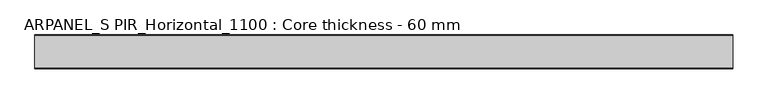
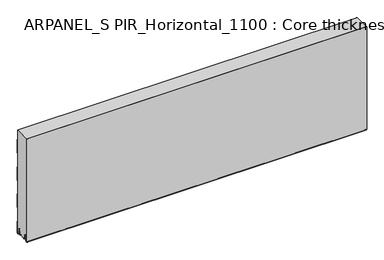
"""IFC4 building model written with IfcOpenShell, lengths in millimetres: plate geometry, ARPANEL_S PIR_Horizontal_1100 : Core thickness - 60 mm."""

from ifc_helpers import new_model, si_unit, frame, origin, place, context, project, spatial, polyline, circle_curve, source, transform, mapped, element, save
from ifc_brep_helpers import plane_surface, cylinder_surface, revolved_surface, advanced_brep


def arpanel_s_pir_horizontal_1100_core_thickness_60_mm_9a96662d(model_context):
    return source(origin(), model_context, "Body", "AdvancedBrep", [
        advanced_brep(
        [(620.0, -59.9996949, 3.0900682), (620.0, -53.81449, 2.7875612), (620.0, -52.197116, 19.2828169), (620.0, -49.1776715, 21.9898782), (620.0, -46.1582271, 19.2828169), (620.0, -44.7725998, 5.1510966), (620.0, -40.3830995, 5.365779), (620.0, -41.1830995, 5.365779), (620.0, -43.9764178, 5.2291629), (620.0, -45.3620451, 19.3608832), (620.0, -49.1776715, 22.7899182), (620.0, -52.9932979, 19.3608832), (620.0, -54.6106719, 2.8656275), (620.0, -59.1996949, 3.0900682), (620.0, -59.2, 400.0), (620.0, -59.9996949, 400.0), (-620.0, -59.1996949, 3.0900682), (-620.0, -54.6106719, 2.8656275), (-620.0, -52.9932979, 19.3608832), (-620.0, -49.1776715, 22.7899182), (-620.0, -45.3620451, 19.3608832), (-620.0, -43.9764178, 5.2291629), (-620.0, -41.1830995, 5.365779), (-620.0, -40.3830995, 5.365779), (-620.0, -44.7725998, 5.1510966), (-620.0, -46.1582271, 19.2828169), (-620.0, -49.1776715, 21.9898782), (-620.0, -52.197116, 19.2828169), (-620.0, -53.81449, 2.7875612), (-620.0, -59.9996949, 3.0900682), (-620.0, -59.9996949, 400.0), (-620.0, -59.2, 400.0)],
        [
            (0, 1, circle_curve(frame((620.0, -56.8996949, 3.0900682), z_axis=(1.0, 0.0, 0.0), x_axis=(0.0, 0.0, -1.0)), 3.1)),
            (1, 2),
            (2, 3, circle_curve(frame((620.0, -49.2114338, 18.9900682), z_axis=(-1.0, 0.0, 0.0), x_axis=(0.0, 0.0, -1.0)), 3.0)),
            (3, 4, circle_curve(frame((620.0, -49.1439093, 18.9900682), z_axis=(-1.0, 0.0, 0.0), x_axis=(0.0, 0.0, -1.0)), 3.0)),
            (4, 5),
            (5, 6, circle_curve(frame((620.0, -42.5830995, 5.365779), z_axis=(1.0, 0.0, 0.0), x_axis=(0.0, 0.0, -1.0)), 2.2)),
            (6, 7),
            (7, 8, circle_curve(frame((620.0, -42.5830995, 5.365779), z_axis=(-1.0, 0.0, 0.0), x_axis=(0.0, 0.0, -1.0)), 1.4)),
            (8, 9),
            (9, 10, circle_curve(frame((620.0, -49.1439093, 18.9900682), z_axis=(1.0, 0.0, 0.0), x_axis=(0.0, 0.0, -1.0)), 3.8)),
            (10, 11, circle_curve(frame((620.0, -49.2114338, 18.9900682), z_axis=(1.0, 0.0, 0.0), x_axis=(0.0, 0.0, -1.0)), 3.8)),
            (11, 12),
            (12, 13, circle_curve(frame((620.0, -56.8996949, 3.0900682), z_axis=(-1.0, 0.0, 0.0), x_axis=(0.0, 0.0, -1.0)), 2.3)),
            (13, 14),
            (14, 15),
            (15, 0),
            (16, 17, circle_curve(frame((-620.0, -56.8996949, 3.0900682), z_axis=(1.0, 0.0, 0.0), x_axis=(0.0, 0.0, -1.0)), 2.3)),
            (17, 18),
            (18, 19, circle_curve(frame((-620.0, -49.2114338, 18.9900682), z_axis=(-1.0, 0.0, 0.0), x_axis=(0.0, 0.0, -1.0)), 3.8)),
            (19, 20, circle_curve(frame((-620.0, -49.1439093, 18.9900682), z_axis=(-1.0, 0.0, 0.0), x_axis=(0.0, 0.0, -1.0)), 3.8)),
            (20, 21),
            (21, 22, circle_curve(frame((-620.0, -42.5830995, 5.365779), z_axis=(1.0, 0.0, 0.0), x_axis=(0.0, 0.0, -1.0)), 1.4)),
            (22, 23),
            (23, 24, circle_curve(frame((-620.0, -42.5830995, 5.365779), z_axis=(-1.0, 0.0, 0.0), x_axis=(0.0, 0.0, -1.0)), 2.2)),
            (24, 25),
            (25, 26, circle_curve(frame((-620.0, -49.1439093, 18.9900682), z_axis=(1.0, 0.0, 0.0), x_axis=(0.0, 0.0, -1.0)), 3.0)),
            (26, 27, circle_curve(frame((-620.0, -49.2114338, 18.9900682), z_axis=(1.0, 0.0, 0.0), x_axis=(0.0, 0.0, -1.0)), 3.0)),
            (27, 28),
            (28, 29, circle_curve(frame((-620.0, -56.8996949, 3.0900682), z_axis=(-1.0, 0.0, 0.0), x_axis=(0.0, 0.0, -1.0)), 3.1)),
            (29, 30),
            (30, 31),
            (31, 16),
            (13, 16),
            (31, 14),
            (29, 0),
            (15, 30),
            (12, 17),
            (11, 18),
            (10, 19),
            (9, 20),
            (8, 21),
            (7, 22),
            (6, 23),
            (5, 24),
            (4, 25),
            (3, 26),
            (2, 27),
            (1, 28),
        ],
        [
            plane_surface(frame((620.0, -60.0, 0.0), z_axis=(1.0, 0.0, 0.0), x_axis=(0.0, 1.0, 0.0))),
            plane_surface(frame((-620.0, -60.0, 0.0), z_axis=(-1.0, 0.0, 0.0), x_axis=(0.0, 1.0, 0.0))),
            plane_surface(frame((620.0, -59.2, 3.0900682), z_axis=(0.0, 1.0, 0.0), x_axis=(-1.0, 0.0, 0.0))),
            plane_surface(frame((620.0, -59.9996949, 1093.9000005), z_axis=(0.0, -1.0, 0.0), x_axis=(-1.0, 0.0, 0.0))),
            revolved_surface(polyline([(-620.0, -56.8996949, 0.7900682000000003), (620.0, -56.8996949, 0.7900682000000003)]), (620.0, -56.8996949, 3.0900682), (-1.0, 0.0, 0.0)),
            plane_surface(frame((620.0, -52.9932979, 19.3608832), z_axis=(0.0, -0.9952273999818314, 0.09758289975914787), x_axis=(-1.0, 0.0, 0.0))),
            cylinder_surface(frame((620.0, -49.2114338, 18.9900682), z_axis=(1.0, 0.0, 0.0), x_axis=(0.0, 0.0, -1.0)), 3.8),
            cylinder_surface(frame((620.0, -49.1439093, 18.9900682), z_axis=(1.0, 0.0, 0.0), x_axis=(0.0, 0.0, -1.0)), 3.8),
            plane_surface(frame((620.0, -43.9764178, 5.2291629), z_axis=(0.0, 0.9952273999818297, 0.09758289975916531), x_axis=(-1.0, 0.0, 0.0))),
            revolved_surface(polyline([(-620.0, -42.5830995, 3.965779), (620.0, -42.5830995, 3.965779)]), (620.0, -42.5830995, 5.365779), (-1.0, 0.0, 0.0)),
            plane_surface(frame((620.0, -40.3830995, 5.365779), z_axis=(0.0, 0.0, 1.0), x_axis=(-1.0, 0.0, 0.0))),
            cylinder_surface(frame((620.0, -42.5830995, 5.365779), z_axis=(1.0, 0.0, 0.0), x_axis=(0.0, 0.0, -1.0)), 2.2),
            plane_surface(frame((620.0, -46.1582271, 19.2828169), z_axis=(0.0, -0.9952273999818296, -0.09758289975916527), x_axis=(-1.0, 0.0, 0.0))),
            revolved_surface(polyline([(-620.0, -49.1439093, 15.9900682), (620.0, -49.1439093, 15.9900682)]), (620.0, -49.1439093, 18.9900682), (-1.0, 0.0, 0.0)),
            revolved_surface(polyline([(-620.0, -49.2114338, 15.9900682), (620.0, -49.2114338, 15.9900682)]), (620.0, -49.2114338, 18.9900682), (-1.0, 0.0, 0.0)),
            plane_surface(frame((620.0, -53.81449, 2.7875612), z_axis=(0.0, 0.9952273999818314, -0.09758289975914787), x_axis=(-1.0, 0.0, 0.0))),
            cylinder_surface(frame((620.0, -56.8996949, 3.0900682), z_axis=(1.0, 0.0, 0.0), x_axis=(0.0, 0.0, -1.0)), 3.1),
            plane_surface(frame((-620.0, 134.0533409, 400.0), z_axis=(0.0, 0.0, 1.0), x_axis=(1.0, 0.0, 0.0))),
        ],
        [
            (0, [[1, 2, 3, 4, 5, 6, 7, 8, 9, 10, 11, 12, 13, 14, 15, 16]]),
            (1, [[17, 18, 19, 20, 21, 22, 23, 24, 25, 26, 27, 28, 29, 30, 31, 32]]),
            (2, [[33, -32, 34, -14]]),
            (3, [[35, -16, 36, -30]]),
            (4, [[-13, 37, -17, -33]]),
            (5, [[-12, 38, -18, -37]]),
            (6, [[-11, 39, -19, -38]]),
            (7, [[-10, 40, -20, -39]]),
            (8, [[-9, 41, -21, -40]]),
            (9, [[-8, 42, -22, -41]]),
            (10, [[-7, 43, -23, -42]]),
            (11, [[-6, 44, -24, -43]]),
            (12, [[-5, 45, -25, -44]]),
            (13, [[-4, 46, -26, -45]]),
            (14, [[-3, 47, -27, -46]]),
            (15, [[-2, 48, -28, -47]]),
            (16, [[-1, -35, -29, -48]]),
            (17, [[-15, -34, -31, -36]]),
        ],
    ),
        advanced_brep(
        [(620.0, -0.8, 149.9459237), (620.0, -1.0986697, 150.9973395), (620.0, -1.5003051, 152.4177205), (620.0, -1.5003051, 202.5775037), (620.0, -1.0971009, 203.9969151), (620.0, -0.8, 205.0493005), (620.0, -0.8, 255.2090837), (620.0, -1.0986697, 256.2604995), (620.0, -1.5003051, 257.6808805), (620.0, -1.5003051, 307.8406637), (620.0, -1.0971009, 309.2600751), (620.0, -0.8, 310.3124605), (620.0, -0.8, 360.4722437), (620.0, -1.0986697, 361.5236595), (620.0, -1.5003051, 362.9440405), (620.0, -1.5003051, 400.0), (620.0, -59.2, 400.0), (620.0, -59.2, 3.0900682), (620.0, -54.6106719, 2.8656275), (620.0, -52.9932979, 19.3608832), (620.0, -49.1776715, 22.7899182), (620.0, -45.3620451, 19.3608832), (620.0, -43.9764178, 5.2291629), (620.0, -41.1830995, 5.365779), (620.0, -40.3830995, 5.365779), (620.0, -40.6102539, 4.3921875), (620.0, -19.3897461, 4.3921875), (620.0, -19.6169005, 5.365779), (620.0, -18.8169005, 5.365779), (620.0, -16.0235822, 5.2291629), (620.0, -14.6379549, 19.3608832), (620.0, -10.8223285, 22.7899182), (620.0, -7.0067021, 19.3608832), (620.0, -5.3893281, 2.8656275), (620.0, -0.8003051, 3.0900682), (620.0, -0.8, 44.6827637), (620.0, -1.0986697, 45.7341795), (620.0, -1.5003051, 47.1545605), (620.0, -1.5003051, 97.3143437), (620.0, -1.0971009, 98.7337551), (620.0, -0.8, 99.7861405), (-620.0, -1.0986697, 150.9973395), (-620.0, -0.8, 149.9459237), (-620.0, -0.8, 99.7861405), (-620.0, -1.0986697, 98.7347246), (-620.0, -1.5003051, 97.3143437), (-620.0, -1.5003051, 47.1545605), (-620.0, -1.0971009, 45.7351491), (-620.0, -0.8, 44.6827637), (-620.0, -0.8, 3.0900682), (-620.0, -5.3893281, 2.8656275), (-620.0, -7.0067021, 19.3608832), (-620.0, -10.8223285, 22.7899182), (-620.0, -14.6379549, 19.3608832), (-620.0, -16.0235822, 5.2291629), (-620.0, -18.4553868, 4.4268721), (-620.0, -18.8169005, 5.365779), (-620.0, -19.6169005, 5.365779), (-620.0, -19.3897461, 4.3921875), (-620.0, -40.6102539, 4.3921875), (-620.0, -40.3830995, 5.365779), (-620.0, -41.1830995, 5.365779), (-620.0, -41.5446132, 4.4268721), (-620.0, -43.9764178, 5.2291629), (-620.0, -45.3620451, 19.3608832), (-620.0, -49.1776715, 22.7899182), (-620.0, -52.9932979, 19.3608832), (-620.0, -54.6106719, 2.8656275), (-620.0, -59.1996949, 3.0900682), (-620.0, -59.2, 400.0), (-620.0, -1.5003051, 400.0), (-620.0, -1.5003051, 362.9440405), (-620.0, -1.0971009, 361.5246291), (-620.0, -0.8, 360.4722437), (-620.0, -0.8, 310.3124605), (-620.0, -1.0986697, 309.2610446), (-620.0, -1.5003051, 307.8406637), (-620.0, -1.5003051, 257.6808805), (-620.0, -1.0971009, 256.2614691), (-620.0, -0.8, 255.2090837), (-620.0, -0.8, 205.0493005), (-620.0, -1.0986697, 203.9978846), (-620.0, -1.5003051, 202.5775037), (-620.0, -1.5003051, 152.4177205)],
        [
            (0, 1, circle_curve(frame((620.0, -2.8, 149.9459237), z_axis=(1.0, 0.0, 0.0), x_axis=(0.0, 0.0, -1.0)), 2.0)),
            (1, 2, circle_curve(frame((620.0, 1.1996949, 152.4177205), z_axis=(-1.0, 0.0, 0.0), x_axis=(0.0, 0.0, -1.0)), 2.7)),
            (2, 3),
            (3, 4, circle_curve(frame((620.0, 1.1996949, 202.5775037), z_axis=(-1.0, 0.0, 0.0), x_axis=(0.0, 0.0, -1.0)), 2.7)),
            (4, 5, circle_curve(frame((620.0, -2.8, 205.0493005), z_axis=(1.0, 0.0, 0.0), x_axis=(0.0, 0.0, -1.0)), 2.0)),
            (5, 6),
            (6, 7, circle_curve(frame((620.0, -2.8, 255.2090837), z_axis=(1.0, 0.0, 0.0), x_axis=(0.0, 0.0, -1.0)), 2.0)),
            (7, 8, circle_curve(frame((620.0, 1.1996949, 257.6808805), z_axis=(-1.0, 0.0, 0.0), x_axis=(0.0, 0.0, -1.0)), 2.7)),
            (8, 9),
            (9, 10, circle_curve(frame((620.0, 1.1996949, 307.8406637), z_axis=(-1.0, 0.0, 0.0), x_axis=(0.0, 0.0, -1.0)), 2.7)),
            (10, 11, circle_curve(frame((620.0, -2.8, 310.3124605), z_axis=(1.0, 0.0, 0.0), x_axis=(0.0, 0.0, -1.0)), 2.0)),
            (11, 12),
            (12, 13, circle_curve(frame((620.0, -2.8, 360.4722437), z_axis=(1.0, 0.0, 0.0), x_axis=(0.0, 0.0, -1.0)), 2.0)),
            (13, 14, circle_curve(frame((620.0, 1.1996949, 362.9440405), z_axis=(-1.0, 0.0, 0.0), x_axis=(0.0, 0.0, -1.0)), 2.7)),
            (14, 15),
            (15, 16),
            (16, 17),
            (17, 18, circle_curve(frame((620.0, -56.8996949, 3.0900682), z_axis=(1.0, 0.0, 0.0), x_axis=(0.0, 0.0, -1.0)), 2.3)),
            (18, 19),
            (19, 20, circle_curve(frame((620.0, -49.2114338, 18.9900682), z_axis=(-1.0, 0.0, 0.0), x_axis=(0.0, 0.0, -1.0)), 3.8)),
            (20, 21, circle_curve(frame((620.0, -49.1439093, 18.9900682), z_axis=(-1.0, 0.0, 0.0), x_axis=(0.0, 0.0, -1.0)), 3.8)),
            (21, 22),
            (22, 23, circle_curve(frame((620.0, -42.5830995, 5.365779), z_axis=(1.0, 0.0, 0.0), x_axis=(0.0, 0.0, -1.0)), 1.4)),
            (23, 24),
            (24, 25, circle_curve(frame((620.0, -42.5830995, 5.365779), z_axis=(-1.0, 0.0, 0.0), x_axis=(0.0, 0.0, -1.0)), 2.2)),
            (25, 26),
            (26, 27, circle_curve(frame((620.0, -17.4169005, 5.365779), z_axis=(-1.0, 0.0, 0.0), x_axis=(0.0, 0.0, -1.0)), 2.2)),
            (27, 28),
            (28, 29, circle_curve(frame((620.0, -17.4169005, 5.365779), z_axis=(1.0, 0.0, 0.0), x_axis=(0.0, 0.0, -1.0)), 1.4)),
            (29, 30),
            (30, 31, circle_curve(frame((620.0, -10.8560907, 18.9900682), z_axis=(-1.0, 0.0, 0.0), x_axis=(0.0, 0.0, -1.0)), 3.8)),
            (31, 32, circle_curve(frame((620.0, -10.7885662, 18.9900682), z_axis=(-1.0, 0.0, 0.0), x_axis=(0.0, 0.0, -1.0)), 3.8)),
            (32, 33),
            (33, 34, circle_curve(frame((620.0, -3.1003051, 3.0900682), z_axis=(1.0, 0.0, 0.0), x_axis=(0.0, 0.0, -1.0)), 2.3)),
            (34, 35),
            (35, 36, circle_curve(frame((620.0, -2.8, 44.6827637), z_axis=(1.0, 0.0, 0.0), x_axis=(0.0, 0.0, -1.0)), 2.0)),
            (36, 37, circle_curve(frame((620.0, 1.1996949, 47.1545605), z_axis=(-1.0, 0.0, 0.0), x_axis=(0.0, 0.0, -1.0)), 2.7)),
            (37, 38),
            (38, 39, circle_curve(frame((620.0, 1.1996949, 97.3143437), z_axis=(-1.0, 0.0, 0.0), x_axis=(0.0, 0.0, -1.0)), 2.7)),
            (39, 40, circle_curve(frame((620.0, -2.8, 99.7861405), z_axis=(1.0, 0.0, 0.0), x_axis=(0.0, 0.0, -1.0)), 2.0)),
            (40, 0),
            (41, 42, circle_curve(frame((-620.0, -2.8, 149.9459237), z_axis=(-1.0, 0.0, 0.0), x_axis=(0.0, 0.0, -1.0)), 2.0)),
            (42, 43),
            (43, 44, circle_curve(frame((-620.0, -2.8, 99.7861405), z_axis=(-1.0, 0.0, 0.0), x_axis=(0.0, 0.0, -1.0)), 2.0)),
            (44, 45, circle_curve(frame((-620.0, 1.1996949, 97.3143437), z_axis=(1.0, 0.0, 0.0), x_axis=(0.0, 0.0, -1.0)), 2.7)),
            (45, 46),
            (46, 47, circle_curve(frame((-620.0, 1.1996949, 47.1545605), z_axis=(1.0, 0.0, 0.0), x_axis=(0.0, 0.0, -1.0)), 2.7)),
            (47, 48, circle_curve(frame((-620.0, -2.8, 44.6827637), z_axis=(-1.0, 0.0, 0.0), x_axis=(0.0, 0.0, -1.0)), 2.0)),
            (48, 49),
            (49, 50, circle_curve(frame((-620.0, -3.1003051, 3.0900682), z_axis=(-1.0, 0.0, 0.0), x_axis=(0.0, 0.0, -1.0)), 2.3)),
            (50, 51),
            (51, 52, circle_curve(frame((-620.0, -10.7885662, 18.9900682), z_axis=(1.0, 0.0, 0.0), x_axis=(0.0, 0.0, -1.0)), 3.8)),
            (52, 53, circle_curve(frame((-620.0, -10.8560907, 18.9900682), z_axis=(1.0, 0.0, 0.0), x_axis=(0.0, 0.0, -1.0)), 3.8)),
            (53, 54),
            (54, 55, circle_curve(frame((-620.0, -17.4169005, 5.365779), z_axis=(-1.0, 0.0, 0.0), x_axis=(0.0, 0.0, -1.0)), 1.4)),
            (55, 56, circle_curve(frame((-620.0, -17.4169005, 5.365779), z_axis=(-1.0, 0.0, 0.0), x_axis=(0.0, 0.0, -1.0)), 1.4)),
            (56, 57),
            (57, 58, circle_curve(frame((-620.0, -17.4169005, 5.365779), z_axis=(1.0, 0.0, 0.0), x_axis=(0.0, 0.0, -1.0)), 2.2)),
            (58, 59),
            (59, 60, circle_curve(frame((-620.0, -42.5830995, 5.365779), z_axis=(1.0, 0.0, 0.0), x_axis=(0.0, 0.0, -1.0)), 2.2)),
            (60, 61),
            (61, 62, circle_curve(frame((-620.0, -42.5830995, 5.365779), z_axis=(-1.0, 0.0, 0.0), x_axis=(0.0, 0.0, -1.0)), 1.4)),
            (62, 63, circle_curve(frame((-620.0, -42.5830995, 5.365779), z_axis=(-1.0, 0.0, 0.0), x_axis=(0.0, 0.0, -1.0)), 1.4)),
            (63, 64),
            (64, 65, circle_curve(frame((-620.0, -49.1439093, 18.9900682), z_axis=(1.0, 0.0, 0.0), x_axis=(0.0, 0.0, -1.0)), 3.8)),
            (65, 66, circle_curve(frame((-620.0, -49.2114338, 18.9900682), z_axis=(1.0, 0.0, 0.0), x_axis=(0.0, 0.0, -1.0)), 3.8)),
            (66, 67),
            (67, 68, circle_curve(frame((-620.0, -56.8996949, 3.0900682), z_axis=(-1.0, 0.0, 0.0), x_axis=(0.0, 0.0, -1.0)), 2.3)),
            (68, 69),
            (69, 70),
            (70, 71),
            (71, 72, circle_curve(frame((-620.0, 1.1996949, 362.9440405), z_axis=(1.0, 0.0, 0.0), x_axis=(0.0, 0.0, -1.0)), 2.7)),
            (72, 73, circle_curve(frame((-620.0, -2.8, 360.4722437), z_axis=(-1.0, 0.0, 0.0), x_axis=(0.0, 0.0, -1.0)), 2.0)),
            (73, 74),
            (74, 75, circle_curve(frame((-620.0, -2.8, 310.3124605), z_axis=(-1.0, 0.0, 0.0), x_axis=(0.0, 0.0, -1.0)), 2.0)),
            (75, 76, circle_curve(frame((-620.0, 1.1996949, 307.8406637), z_axis=(1.0, 0.0, 0.0), x_axis=(0.0, 0.0, -1.0)), 2.7)),
            (76, 77),
            (77, 78, circle_curve(frame((-620.0, 1.1996949, 257.6808805), z_axis=(1.0, 0.0, 0.0), x_axis=(0.0, 0.0, -1.0)), 2.7)),
            (78, 79, circle_curve(frame((-620.0, -2.8, 255.2090837), z_axis=(-1.0, 0.0, 0.0), x_axis=(0.0, 0.0, -1.0)), 2.0)),
            (79, 80),
            (80, 81, circle_curve(frame((-620.0, -2.8, 205.0493005), z_axis=(-1.0, 0.0, 0.0), x_axis=(0.0, 0.0, -1.0)), 2.0)),
            (81, 82, circle_curve(frame((-620.0, 1.1996949, 202.5775037), z_axis=(1.0, 0.0, 0.0), x_axis=(0.0, 0.0, -1.0)), 2.7)),
            (82, 83),
            (83, 41, circle_curve(frame((-620.0, 1.1996949, 152.4177205), z_axis=(1.0, 0.0, 0.0), x_axis=(0.0, 0.0, -1.0)), 2.7)),
            (41, 1),
            (0, 42),
            (83, 2),
            (82, 3),
            (81, 4),
            (80, 5),
            (79, 6),
            (78, 7),
            (77, 8),
            (76, 9),
            (75, 10),
            (74, 11),
            (73, 12),
            (72, 13),
            (71, 14),
            (70, 15),
            (68, 17),
            (16, 69),
            (57, 27),
            (26, 58),
            (56, 28),
            (54, 29),
            (53, 30),
            (52, 31),
            (51, 32),
            (50, 33),
            (49, 34),
            (48, 35),
            (47, 36),
            (46, 37),
            (45, 38),
            (44, 39),
            (43, 40),
            (67, 18),
            (66, 19),
            (65, 20),
            (64, 21),
            (63, 22),
            (61, 23),
            (60, 24),
            (59, 25),
        ],
        [
            plane_surface(frame((620.0, 0.0, 0.0), z_axis=(1.0, 0.0, 0.0), x_axis=(0.0, -1.0, 0.0))),
            plane_surface(frame((-620.0, 0.0, 0.0), z_axis=(-1.0, 0.0, 0.0), x_axis=(0.0, -1.0, 0.0))),
            cylinder_surface(frame((750.0, -2.8, 149.9459237), z_axis=(-1.0, 0.0, 0.0), x_axis=(0.0, 0.0, -1.0)), 2.0),
            revolved_surface(polyline([(620.0, 1.1996949, 149.7177205), (-620.0, 1.1996949, 149.7177205)]), (750.0, 1.1996949, 152.4177205), (1.0, 0.0, 0.0)),
            plane_surface(frame((750.0, -1.5003051, 202.5775037), z_axis=(0.0, 1.0, 0.0), x_axis=(-1.0, 0.0, 0.0))),
            revolved_surface(polyline([(620.0, 1.1996949, 199.8775037), (-620.0, 1.1996949, 199.8775037)]), (750.0, 1.1996949, 202.5775037), (1.0, 0.0, 0.0)),
            cylinder_surface(frame((750.0, -2.8, 205.0493005), z_axis=(-1.0, 0.0, 0.0), x_axis=(0.0, 0.0, -1.0)), 2.0),
            plane_surface(frame((750.0, -0.8, 255.2090837), z_axis=(0.0, 1.0, 0.0), x_axis=(-1.0, 0.0, 0.0))),
            cylinder_surface(frame((750.0, -2.8, 255.2090837), z_axis=(-1.0, 0.0, 0.0), x_axis=(0.0, 0.0, -1.0)), 2.0),
            revolved_surface(polyline([(620.0, 1.1996949, 254.9808805), (-620.0, 1.1996949, 254.9808805)]), (750.0, 1.1996949, 257.6808805), (1.0, 0.0, 0.0)),
            plane_surface(frame((750.0, -1.5003051, 307.8406637), z_axis=(0.0, 1.0, 0.0), x_axis=(-1.0, 0.0, 0.0))),
            revolved_surface(polyline([(620.0, 1.1996949, 305.1406637), (-620.0, 1.1996949, 305.1406637)]), (750.0, 1.1996949, 307.8406637), (1.0, 0.0, 0.0)),
            cylinder_surface(frame((750.0, -2.8, 310.3124605), z_axis=(-1.0, 0.0, 0.0), x_axis=(0.0, 0.0, -1.0)), 2.0),
            plane_surface(frame((750.0, -0.8, 360.4722437), z_axis=(0.0, 1.0, 0.0), x_axis=(-1.0, 0.0, 0.0))),
            cylinder_surface(frame((750.0, -2.8, 360.4722437), z_axis=(-1.0, 0.0, 0.0), x_axis=(0.0, 0.0, -1.0)), 2.0),
            revolved_surface(polyline([(620.0, 1.1996949, 360.24404050000004), (-620.0, 1.1996949, 360.24404050000004)]), (750.0, 1.1996949, 362.9440405), (1.0, 0.0, 0.0)),
            plane_surface(frame((750.0, -1.5003051, 413.1038237), z_axis=(0.0, 1.0, 0.0), x_axis=(-1.0, 0.0, 0.0))),
            plane_surface(frame((750.0, -59.2, 3.0900682), z_axis=(0.0, -1.0, 0.0), x_axis=(-1.0, 0.0, 0.0))),
            revolved_surface(polyline([(620.0, -17.4169005, 3.1657789999999997), (-620.0, -17.4169005, 3.1657789999999997)]), (750.0, -17.4169005, 5.365779), (1.0, 0.0, 0.0)),
            plane_surface(frame((750.0, -18.8169005, 5.365779), z_axis=(0.0, 0.0, -1.0), x_axis=(-1.0, 0.0, 0.0))),
            cylinder_surface(frame((750.0, -17.4169005, 5.365779), z_axis=(-1.0, 0.0, 0.0), x_axis=(0.0, 0.0, -1.0)), 1.4),
            plane_surface(frame((750.0, -14.6379549, 19.3608832), z_axis=(0.0, 0.9952273999818297, -0.09758289975916531), x_axis=(-1.0, 0.0, 0.0))),
            revolved_surface(polyline([(620.0, -10.8560907, 15.190068199999999), (-620.0, -10.8560907, 15.190068199999999)]), (750.0, -10.8560907, 18.9900682), (1.0, 0.0, 0.0)),
            revolved_surface(polyline([(620.0, -10.7885662, 15.190068199999999), (-620.0, -10.7885662, 15.190068199999999)]), (750.0, -10.7885662, 18.9900682), (1.0, 0.0, 0.0)),
            plane_surface(frame((750.0, -5.3893281, 2.8656275), z_axis=(0.0, -0.9952273999818314, -0.09758289975914787), x_axis=(-1.0, 0.0, 0.0))),
            cylinder_surface(frame((750.0, -3.1003051, 3.0900682), z_axis=(-1.0, 0.0, 0.0), x_axis=(0.0, 0.0, -1.0)), 2.3),
            plane_surface(frame((750.0, -0.8, 44.6827637), z_axis=(0.0, 1.0, 0.0), x_axis=(-1.0, 0.0, 0.0))),
            cylinder_surface(frame((750.0, -2.8, 44.6827637), z_axis=(-1.0, 0.0, 0.0), x_axis=(0.0, 0.0, -1.0)), 2.0),
            revolved_surface(polyline([(620.0, 1.1996949, 44.4545605), (-620.0, 1.1996949, 44.4545605)]), (750.0, 1.1996949, 47.1545605), (1.0, 0.0, 0.0)),
            plane_surface(frame((750.0, -1.5003051, 97.3143437), z_axis=(0.0, 1.0, 0.0), x_axis=(-1.0, 0.0, 0.0))),
            revolved_surface(polyline([(620.0, 1.1996949, 94.61434369999999), (-620.0, 1.1996949, 94.61434369999999)]), (750.0, 1.1996949, 97.3143437), (1.0, 0.0, 0.0)),
            cylinder_surface(frame((750.0, -2.8, 99.7861405), z_axis=(-1.0, 0.0, 0.0), x_axis=(0.0, 0.0, -1.0)), 2.0),
            plane_surface(frame((750.0, -0.8, 149.9459237), z_axis=(0.0, 1.0, 0.0), x_axis=(-1.0, 0.0, 0.0))),
            cylinder_surface(frame((750.0, -56.8996949, 3.0900682), z_axis=(-1.0, 0.0, 0.0), x_axis=(0.0, 0.0, -1.0)), 2.3),
            plane_surface(frame((750.0, -52.9932979, 19.3608832), z_axis=(0.0, 0.9952273999818314, -0.09758289975914787), x_axis=(-1.0, 0.0, 0.0))),
            revolved_surface(polyline([(620.0, -49.2114338, 15.190068199999999), (-620.0, -49.2114338, 15.190068199999999)]), (750.0, -49.2114338, 18.9900682), (1.0, 0.0, 0.0)),
            revolved_surface(polyline([(620.0, -49.1439093, 15.190068199999999), (-620.0, -49.1439093, 15.190068199999999)]), (750.0, -49.1439093, 18.9900682), (1.0, 0.0, 0.0)),
            plane_surface(frame((750.0, -43.9764178, 5.2291629), z_axis=(0.0, -0.9952273999818297, -0.09758289975916531), x_axis=(-1.0, 0.0, 0.0))),
            cylinder_surface(frame((750.0, -42.5830995, 5.365779), z_axis=(-1.0, 0.0, 0.0), x_axis=(0.0, 0.0, -1.0)), 1.4),
            plane_surface(frame((750.0, -40.3830995, 5.365779), z_axis=(0.0, 0.0, -1.0), x_axis=(-1.0, 0.0, 0.0))),
            revolved_surface(polyline([(620.0, -42.5830995, 3.1657789999999997), (-620.0, -42.5830995, 3.1657789999999997)]), (750.0, -42.5830995, 5.365779), (1.0, 0.0, 0.0)),
            plane_surface(frame((620.0, -41.50625, 4.3921875), z_axis=(0.0, 0.0, -1.0), x_axis=(-1.0, 0.0, 0.0))),
            plane_surface(frame((-620.0, 134.0533409, 400.0), z_axis=(0.0, 0.0, 1.0), x_axis=(1.0, 0.0, 0.0))),
        ],
        [
            (0, [[1, 2, 3, 4, 5, 6, 7, 8, 9, 10, 11, 12, 13, 14, 15, 16, 17, 18, 19, 20, 21, 22, 23, 24, 25, 26, 27, 28, 29, 30, 31, 32, 33, 34, 35, 36, 37, 38, 39, 40, 41]]),
            (1, [[42, 43, 44, 45, 46, 47, 48, 49, 50, 51, 52, 53, 54, 55, 56, 57, 58, 59, 60, 61, 62, 63, 64, 65, 66, 67, 68, 69, 70, 71, 72, 73, 74, 75, 76, 77, 78, 79, 80, 81, 82, 83, 84]]),
            (2, [[85, -1, 86, -42]]),
            (3, [[-85, -84, 87, -2]]),
            (4, [[-87, -83, 88, -3]]),
            (5, [[-88, -82, 89, -4]]),
            (6, [[-89, -81, 90, -5]]),
            (7, [[-90, -80, 91, -6]]),
            (8, [[-91, -79, 92, -7]]),
            (9, [[-92, -78, 93, -8]]),
            (10, [[-93, -77, 94, -9]]),
            (11, [[-94, -76, 95, -10]]),
            (12, [[-95, -75, 96, -11]]),
            (13, [[-96, -74, 97, -12]]),
            (14, [[-97, -73, 98, -13]]),
            (15, [[-98, -72, 99, -14]]),
            (16, [[-99, -71, 100, -15]]),
            (17, [[101, -17, 102, -69]]),
            (18, [[103, -27, 104, -58]]),
            (19, [[-103, -57, 105, -28]]),
            (20, [[-105, -56, -55, 106, -29]]),
            (21, [[-106, -54, 107, -30]]),
            (22, [[-107, -53, 108, -31]]),
            (23, [[-108, -52, 109, -32]]),
            (24, [[-109, -51, 110, -33]]),
            (25, [[-110, -50, 111, -34]]),
            (26, [[-111, -49, 112, -35]]),
            (27, [[-112, -48, 113, -36]]),
            (28, [[-113, -47, 114, -37]]),
            (29, [[-114, -46, 115, -38]]),
            (30, [[-115, -45, 116, -39]]),
            (31, [[-116, -44, 117, -40]]),
            (32, [[-117, -43, -86, -41]]),
            (33, [[-101, -68, 118, -18]]),
            (34, [[-118, -67, 119, -19]]),
            (35, [[-119, -66, 120, -20]]),
            (36, [[-120, -65, 121, -21]]),
            (37, [[-121, -64, 122, -22]]),
            (38, [[-122, -63, -62, 123, -23]]),
            (39, [[-123, -61, 124, -24]]),
            (40, [[-124, -60, 125, -25]]),
            (41, [[-104, -26, -125, -59]]),
            (42, [[-100, -70, -102, -16]]),
        ],
    ),
        advanced_brep(
        [(-620.0, -0.7003051, 362.9440405), (-620.0, -0.4016712, 361.8926826), (-620.0, -0.0003051, 360.4722437), (-620.0, -0.0003051, 310.3124605), (-620.0, -0.4034608, 308.8931274), (-620.0, -0.7003051, 307.8406637), (-620.0, -0.7003051, 257.6808805), (-620.0, -0.4016712, 256.6295226), (-620.0, -0.0003051, 255.2090837), (-620.0, -0.0003051, 205.0493005), (-620.0, -0.4034608, 203.6299674), (-620.0, -0.7003051, 202.5775037), (-620.0, -0.7003051, 152.4177205), (-620.0, -0.4016712, 151.3663626), (-620.0, -0.0003051, 149.9459237), (-620.0, -0.0003051, 99.7861405), (-620.0, -0.4034608, 98.3668074), (-620.0, -0.7003051, 97.3143437), (-620.0, -0.7003051, 47.1545605), (-620.0, -0.4016712, 46.1032026), (-620.0, -0.0003051, 44.6827637), (-620.0, -0.0003051, 3.0900682), (-620.0, -6.18551, 2.7875612), (-620.0, -7.802884, 19.2828169), (-620.0, -10.8223285, 21.9898782), (-620.0, -13.8417729, 19.2828169), (-620.0, -15.2274002, 5.1510966), (-620.0, -19.6169005, 5.365779), (-620.0, -18.8169005, 5.365779), (-620.0, -16.0235822, 5.2291629), (-620.0, -14.6379549, 19.3608832), (-620.0, -10.8223285, 22.7899182), (-620.0, -7.0067021, 19.3608832), (-620.0, -5.3893281, 2.8656275), (-620.0, -0.8003051, 3.0900682), (-620.0, -0.8, 44.6827637), (-620.0, -1.0986697, 45.7341795), (-620.0, -1.5003051, 47.1545605), (-620.0, -1.5003051, 97.3143437), (-620.0, -1.0971009, 98.7337551), (-620.0, -0.8, 99.7861405), (-620.0, -0.8, 149.9459237), (-620.0, -1.0986697, 150.9973395), (-620.0, -1.5003051, 152.4177205), (-620.0, -1.5003051, 202.5775037), (-620.0, -1.0971009, 203.9969151), (-620.0, -0.8, 205.0493005), (-620.0, -0.8, 255.2090837), (-620.0, -1.0986697, 256.2604995), (-620.0, -1.5003051, 257.6808805), (-620.0, -1.5003051, 307.8406637), (-620.0, -1.0971009, 309.2600751), (-620.0, -0.8, 310.3124605), (-620.0, -0.8, 360.4722437), (-620.0, -1.0986697, 361.5236595), (-620.0, -1.5003051, 362.9440405), (-620.0, -1.5003051, 400.0), (-620.0, -0.7003051, 400.0), (620.0, -1.5003051, 362.9440405), (620.0, -1.0971009, 361.5246291), (620.0, -0.8, 360.4722437), (620.0, -0.8, 310.3124605), (620.0, -1.0986697, 309.2610446), (620.0, -1.5003051, 307.8406637), (620.0, -1.5003051, 257.6808805), (620.0, -1.0971009, 256.2614691), (620.0, -0.8, 255.2090837), (620.0, -0.8, 205.0493005), (620.0, -1.0986697, 203.9978846), (620.0, -1.5003051, 202.5775037), (620.0, -1.5003051, 152.4177205), (620.0, -1.0971009, 150.9983091), (620.0, -0.8, 149.9459237), (620.0, -0.8, 99.7861405), (620.0, -1.0986697, 98.7347246), (620.0, -1.5003051, 97.3143437), (620.0, -1.5003051, 47.1545605), (620.0, -1.0971009, 45.7351491), (620.0, -0.8, 44.6827637), (620.0, -0.8, 3.0900682), (620.0, -5.3893281, 2.8656275), (620.0, -7.0067021, 19.3608832), (620.0, -10.8223285, 22.7899182), (620.0, -14.6379549, 19.3608832), (620.0, -16.0235822, 5.2291629), (620.0, -18.8169005, 5.365779), (620.0, -19.6169005, 5.365779), (620.0, -15.2274002, 5.1510966), (620.0, -13.8417729, 19.2828169), (620.0, -10.8223285, 21.9898782), (620.0, -7.802884, 19.2828169), (620.0, -6.18551, 2.7875612), (620.0, -0.0003051, 3.0900682), (620.0, -0.0003051, 44.6827637), (620.0, -0.4034608, 46.1020968), (620.0, -0.7003051, 47.1545605), (620.0, -0.7003051, 97.3143437), (620.0, -0.4016712, 98.3657015), (620.0, -0.0003051, 99.7861405), (620.0, -0.0003051, 149.9459237), (620.0, -0.4034608, 151.3652568), (620.0, -0.7003051, 152.4177205), (620.0, -0.7003051, 202.5775037), (620.0, -0.4016712, 203.6288615), (620.0, -0.0003051, 205.0493005), (620.0, -0.0003051, 255.2090837), (620.0, -0.4034608, 256.6284168), (620.0, -0.7003051, 257.6808805), (620.0, -0.7003051, 307.8406637), (620.0, -0.4016712, 308.8920215), (620.0, -0.0003051, 310.3124605), (620.0, -0.0003051, 360.4722437), (620.0, -0.4034608, 361.8915768), (620.0, -0.7003051, 362.9440405), (620.0, -0.7003051, 400.0), (620.0, -1.5003051, 400.0)],
        [
            (0, 1, circle_curve(frame((-620.0, 1.2996949, 362.9440405), z_axis=(1.0, 0.0, 0.0), x_axis=(0.0, 0.0, -1.0)), 2.0)),
            (1, 2, circle_curve(frame((-620.0, -2.7003051, 360.4722437), z_axis=(-1.0, 0.0, 0.0), x_axis=(0.0, 0.0, -1.0)), 2.7)),
            (2, 3),
            (3, 4, circle_curve(frame((-620.0, -2.7003051, 310.3124605), z_axis=(-1.0, 0.0, 0.0), x_axis=(0.0, 0.0, -1.0)), 2.7)),
            (4, 5, circle_curve(frame((-620.0, 1.2996949, 307.8406637), z_axis=(1.0, 0.0, 0.0), x_axis=(0.0, 0.0, -1.0)), 2.0)),
            (5, 6),
            (6, 7, circle_curve(frame((-620.0, 1.2996949, 257.6808805), z_axis=(1.0, 0.0, 0.0), x_axis=(0.0, 0.0, -1.0)), 2.0)),
            (7, 8, circle_curve(frame((-620.0, -2.7003051, 255.2090837), z_axis=(-1.0, 0.0, 0.0), x_axis=(0.0, 0.0, -1.0)), 2.7)),
            (8, 9),
            (9, 10, circle_curve(frame((-620.0, -2.7003051, 205.0493005), z_axis=(-1.0, 0.0, 0.0), x_axis=(0.0, 0.0, -1.0)), 2.7)),
            (10, 11, circle_curve(frame((-620.0, 1.2996949, 202.5775037), z_axis=(1.0, 0.0, 0.0), x_axis=(0.0, 0.0, -1.0)), 2.0)),
            (11, 12),
            (12, 13, circle_curve(frame((-620.0, 1.2996949, 152.4177205), z_axis=(1.0, 0.0, 0.0), x_axis=(0.0, 0.0, -1.0)), 2.0)),
            (13, 14, circle_curve(frame((-620.0, -2.7003051, 149.9459237), z_axis=(-1.0, 0.0, 0.0), x_axis=(0.0, 0.0, -1.0)), 2.7)),
            (14, 15),
            (15, 16, circle_curve(frame((-620.0, -2.7003051, 99.7861405), z_axis=(-1.0, 0.0, 0.0), x_axis=(0.0, 0.0, -1.0)), 2.7)),
            (16, 17, circle_curve(frame((-620.0, 1.2996949, 97.3143437), z_axis=(1.0, 0.0, 0.0), x_axis=(0.0, 0.0, -1.0)), 2.0)),
            (17, 18),
            (18, 19, circle_curve(frame((-620.0, 1.2996949, 47.1545605), z_axis=(1.0, 0.0, 0.0), x_axis=(0.0, 0.0, -1.0)), 2.0)),
            (19, 20, circle_curve(frame((-620.0, -2.7003051, 44.6827637), z_axis=(-1.0, 0.0, 0.0), x_axis=(0.0, 0.0, -1.0)), 2.7)),
            (20, 21),
            (21, 22, circle_curve(frame((-620.0, -3.1003051, 3.0900682), z_axis=(-1.0, 0.0, 0.0), x_axis=(0.0, 0.0, -1.0)), 3.1)),
            (22, 23),
            (23, 24, circle_curve(frame((-620.0, -10.7885662, 18.9900682), z_axis=(1.0, 0.0, 0.0), x_axis=(0.0, 0.0, -1.0)), 3.0)),
            (24, 25, circle_curve(frame((-620.0, -10.8560907, 18.9900682), z_axis=(1.0, 0.0, 0.0), x_axis=(0.0, 0.0, -1.0)), 3.0)),
            (25, 26),
            (26, 27, circle_curve(frame((-620.0, -17.4169005, 5.365779), z_axis=(-1.0, 0.0, 0.0), x_axis=(0.0, 0.0, -1.0)), 2.2)),
            (27, 28),
            (28, 29, circle_curve(frame((-620.0, -17.4169005, 5.365779), z_axis=(1.0, 0.0, 0.0), x_axis=(0.0, 0.0, -1.0)), 1.4)),
            (29, 30),
            (30, 31, circle_curve(frame((-620.0, -10.8560907, 18.9900682), z_axis=(-1.0, 0.0, 0.0), x_axis=(0.0, 0.0, -1.0)), 3.8)),
            (31, 32, circle_curve(frame((-620.0, -10.7885662, 18.9900682), z_axis=(-1.0, 0.0, 0.0), x_axis=(0.0, 0.0, -1.0)), 3.8)),
            (32, 33),
            (33, 34, circle_curve(frame((-620.0, -3.1003051, 3.0900682), z_axis=(1.0, 0.0, 0.0), x_axis=(0.0, 0.0, -1.0)), 2.3)),
            (34, 35),
            (35, 36, circle_curve(frame((-620.0, -2.8, 44.6827637), z_axis=(1.0, 0.0, 0.0), x_axis=(0.0, 0.0, -1.0)), 2.0)),
            (36, 37, circle_curve(frame((-620.0, 1.1996949, 47.1545605), z_axis=(-1.0, 0.0, 0.0), x_axis=(0.0, 0.0, -1.0)), 2.7)),
            (37, 38),
            (38, 39, circle_curve(frame((-620.0, 1.1996949, 97.3143437), z_axis=(-1.0, 0.0, 0.0), x_axis=(0.0, 0.0, -1.0)), 2.7)),
            (39, 40, circle_curve(frame((-620.0, -2.8, 99.7861405), z_axis=(1.0, 0.0, 0.0), x_axis=(0.0, 0.0, -1.0)), 2.0)),
            (40, 41),
            (41, 42, circle_curve(frame((-620.0, -2.8, 149.9459237), z_axis=(1.0, 0.0, 0.0), x_axis=(0.0, 0.0, -1.0)), 2.0)),
            (42, 43, circle_curve(frame((-620.0, 1.1996949, 152.4177205), z_axis=(-1.0, 0.0, 0.0), x_axis=(0.0, 0.0, -1.0)), 2.7)),
            (43, 44),
            (44, 45, circle_curve(frame((-620.0, 1.1996949, 202.5775037), z_axis=(-1.0, 0.0, 0.0), x_axis=(0.0, 0.0, -1.0)), 2.7)),
            (45, 46, circle_curve(frame((-620.0, -2.8, 205.0493005), z_axis=(1.0, 0.0, 0.0), x_axis=(0.0, 0.0, -1.0)), 2.0)),
            (46, 47),
            (47, 48, circle_curve(frame((-620.0, -2.8, 255.2090837), z_axis=(1.0, 0.0, 0.0), x_axis=(0.0, 0.0, -1.0)), 2.0)),
            (48, 49, circle_curve(frame((-620.0, 1.1996949, 257.6808805), z_axis=(-1.0, 0.0, 0.0), x_axis=(0.0, 0.0, -1.0)), 2.7)),
            (49, 50),
            (50, 51, circle_curve(frame((-620.0, 1.1996949, 307.8406637), z_axis=(-1.0, 0.0, 0.0), x_axis=(0.0, 0.0, -1.0)), 2.7)),
            (51, 52, circle_curve(frame((-620.0, -2.8, 310.3124605), z_axis=(1.0, 0.0, 0.0), x_axis=(0.0, 0.0, -1.0)), 2.0)),
            (52, 53),
            (53, 54, circle_curve(frame((-620.0, -2.8, 360.4722437), z_axis=(1.0, 0.0, 0.0), x_axis=(0.0, 0.0, -1.0)), 2.0)),
            (54, 55, circle_curve(frame((-620.0, 1.1996949, 362.9440405), z_axis=(-1.0, 0.0, 0.0), x_axis=(0.0, 0.0, -1.0)), 2.7)),
            (55, 56),
            (56, 57),
            (57, 0),
            (58, 59, circle_curve(frame((620.0, 1.1996949, 362.9440405), z_axis=(1.0, 0.0, 0.0), x_axis=(0.0, 0.0, -1.0)), 2.7)),
            (59, 60, circle_curve(frame((620.0, -2.8, 360.4722437), z_axis=(-1.0, 0.0, 0.0), x_axis=(0.0, 0.0, -1.0)), 2.0)),
            (60, 61),
            (61, 62, circle_curve(frame((620.0, -2.8, 310.3124605), z_axis=(-1.0, 0.0, 0.0), x_axis=(0.0, 0.0, -1.0)), 2.0)),
            (62, 63, circle_curve(frame((620.0, 1.1996949, 307.8406637), z_axis=(1.0, 0.0, 0.0), x_axis=(0.0, 0.0, -1.0)), 2.7)),
            (63, 64),
            (64, 65, circle_curve(frame((620.0, 1.1996949, 257.6808805), z_axis=(1.0, 0.0, 0.0), x_axis=(0.0, 0.0, -1.0)), 2.7)),
            (65, 66, circle_curve(frame((620.0, -2.8, 255.2090837), z_axis=(-1.0, 0.0, 0.0), x_axis=(0.0, 0.0, -1.0)), 2.0)),
            (66, 67),
            (67, 68, circle_curve(frame((620.0, -2.8, 205.0493005), z_axis=(-1.0, 0.0, 0.0), x_axis=(0.0, 0.0, -1.0)), 2.0)),
            (68, 69, circle_curve(frame((620.0, 1.1996949, 202.5775037), z_axis=(1.0, 0.0, 0.0), x_axis=(0.0, 0.0, -1.0)), 2.7)),
            (69, 70),
            (70, 71, circle_curve(frame((620.0, 1.1996949, 152.4177205), z_axis=(1.0, 0.0, 0.0), x_axis=(0.0, 0.0, -1.0)), 2.7)),
            (71, 72, circle_curve(frame((620.0, -2.8, 149.9459237), z_axis=(-1.0, 0.0, 0.0), x_axis=(0.0, 0.0, -1.0)), 2.0)),
            (72, 73),
            (73, 74, circle_curve(frame((620.0, -2.8, 99.7861405), z_axis=(-1.0, 0.0, 0.0), x_axis=(0.0, 0.0, -1.0)), 2.0)),
            (74, 75, circle_curve(frame((620.0, 1.1996949, 97.3143437), z_axis=(1.0, 0.0, 0.0), x_axis=(0.0, 0.0, -1.0)), 2.7)),
            (75, 76),
            (76, 77, circle_curve(frame((620.0, 1.1996949, 47.1545605), z_axis=(1.0, 0.0, 0.0), x_axis=(0.0, 0.0, -1.0)), 2.7)),
            (77, 78, circle_curve(frame((620.0, -2.8, 44.6827637), z_axis=(-1.0, 0.0, 0.0), x_axis=(0.0, 0.0, -1.0)), 2.0)),
            (78, 79),
            (79, 80, circle_curve(frame((620.0, -3.1003051, 3.0900682), z_axis=(-1.0, 0.0, 0.0), x_axis=(0.0, 0.0, -1.0)), 2.3)),
            (80, 81),
            (81, 82, circle_curve(frame((620.0, -10.7885662, 18.9900682), z_axis=(1.0, 0.0, 0.0), x_axis=(0.0, 0.0, -1.0)), 3.8)),
            (82, 83, circle_curve(frame((620.0, -10.8560907, 18.9900682), z_axis=(1.0, 0.0, 0.0), x_axis=(0.0, 0.0, -1.0)), 3.8)),
            (83, 84),
            (84, 85, circle_curve(frame((620.0, -17.4169005, 5.365779), z_axis=(-1.0, 0.0, 0.0), x_axis=(0.0, 0.0, -1.0)), 1.4)),
            (85, 86),
            (86, 87, circle_curve(frame((620.0, -17.4169005, 5.365779), z_axis=(1.0, 0.0, 0.0), x_axis=(0.0, 0.0, -1.0)), 2.2)),
            (87, 88),
            (88, 89, circle_curve(frame((620.0, -10.8560907, 18.9900682), z_axis=(-1.0, 0.0, 0.0), x_axis=(0.0, 0.0, -1.0)), 3.0)),
            (89, 90, circle_curve(frame((620.0, -10.7885662, 18.9900682), z_axis=(-1.0, 0.0, 0.0), x_axis=(0.0, 0.0, -1.0)), 3.0)),
            (90, 91),
            (91, 92, circle_curve(frame((620.0, -3.1003051, 3.0900682), z_axis=(1.0, 0.0, 0.0), x_axis=(0.0, 0.0, -1.0)), 3.1)),
            (92, 93),
            (93, 94, circle_curve(frame((620.0, -2.7003051, 44.6827637), z_axis=(1.0, 0.0, 0.0), x_axis=(0.0, 0.0, -1.0)), 2.7)),
            (94, 95, circle_curve(frame((620.0, 1.2996949, 47.1545605), z_axis=(-1.0, 0.0, 0.0), x_axis=(0.0, 0.0, -1.0)), 2.0)),
            (95, 96),
            (96, 97, circle_curve(frame((620.0, 1.2996949, 97.3143437), z_axis=(-1.0, 0.0, 0.0), x_axis=(0.0, 0.0, -1.0)), 2.0)),
            (97, 98, circle_curve(frame((620.0, -2.7003051, 99.7861405), z_axis=(1.0, 0.0, 0.0), x_axis=(0.0, 0.0, -1.0)), 2.7)),
            (98, 99),
            (99, 100, circle_curve(frame((620.0, -2.7003051, 149.9459237), z_axis=(1.0, 0.0, 0.0), x_axis=(0.0, 0.0, -1.0)), 2.7)),
            (100, 101, circle_curve(frame((620.0, 1.2996949, 152.4177205), z_axis=(-1.0, 0.0, 0.0), x_axis=(0.0, 0.0, -1.0)), 2.0)),
            (101, 102),
            (102, 103, circle_curve(frame((620.0, 1.2996949, 202.5775037), z_axis=(-1.0, 0.0, 0.0), x_axis=(0.0, 0.0, -1.0)), 2.0)),
            (103, 104, circle_curve(frame((620.0, -2.7003051, 205.0493005), z_axis=(1.0, 0.0, 0.0), x_axis=(0.0, 0.0, -1.0)), 2.7)),
            (104, 105),
            (105, 106, circle_curve(frame((620.0, -2.7003051, 255.2090837), z_axis=(1.0, 0.0, 0.0), x_axis=(0.0, 0.0, -1.0)), 2.7)),
            (106, 107, circle_curve(frame((620.0, 1.2996949, 257.6808805), z_axis=(-1.0, 0.0, 0.0), x_axis=(0.0, 0.0, -1.0)), 2.0)),
            (107, 108),
            (108, 109, circle_curve(frame((620.0, 1.2996949, 307.8406637), z_axis=(-1.0, 0.0, 0.0), x_axis=(0.0, 0.0, -1.0)), 2.0)),
            (109, 110, circle_curve(frame((620.0, -2.7003051, 310.3124605), z_axis=(1.0, 0.0, 0.0), x_axis=(0.0, 0.0, -1.0)), 2.7)),
            (110, 111),
            (111, 112, circle_curve(frame((620.0, -2.7003051, 360.4722437), z_axis=(1.0, 0.0, 0.0), x_axis=(0.0, 0.0, -1.0)), 2.7)),
            (112, 113, circle_curve(frame((620.0, 1.2996949, 362.9440405), z_axis=(-1.0, 0.0, 0.0), x_axis=(0.0, 0.0, -1.0)), 2.0)),
            (113, 114),
            (114, 115),
            (115, 58),
            (55, 58),
            (115, 56),
            (54, 59),
            (53, 60),
            (52, 61),
            (51, 62),
            (50, 63),
            (49, 64),
            (48, 65),
            (47, 66),
            (46, 67),
            (45, 68),
            (44, 69),
            (43, 70),
            (42, 71),
            (41, 72),
            (33, 80),
            (79, 34),
            (32, 81),
            (31, 82),
            (30, 83),
            (29, 84),
            (28, 85),
            (27, 86),
            (26, 87),
            (25, 88),
            (24, 89),
            (23, 90),
            (22, 91),
            (21, 92),
            (13, 100),
            (99, 14),
            (12, 101),
            (11, 102),
            (10, 103),
            (9, 104),
            (8, 105),
            (7, 106),
            (6, 107),
            (5, 108),
            (4, 109),
            (3, 110),
            (2, 111),
            (1, 112),
            (0, 113),
            (57, 114),
            (40, 73),
            (39, 74),
            (38, 75),
            (37, 76),
            (36, 77),
            (35, 78),
            (20, 93),
            (19, 94),
            (18, 95),
            (17, 96),
            (16, 97),
            (15, 98),
        ],
        [
            plane_surface(frame((-620.0, 0.0, 0.0), z_axis=(-1.0, 0.0, 0.0), x_axis=(0.0, -1.0, 0.0))),
            plane_surface(frame((620.0, 0.0, 0.0), z_axis=(1.0, 0.0, 0.0), x_axis=(0.0, -1.0, 0.0))),
            plane_surface(frame((-620.0, -1.5003051, 362.9440405), z_axis=(0.0, -1.0, 0.0), x_axis=(1.0, 0.0, 0.0))),
            cylinder_surface(frame((-620.0, 1.1996949, 362.9440405), z_axis=(-1.0, 0.0, 0.0), x_axis=(0.0, 0.0, -1.0)), 2.7),
            revolved_surface(polyline([(620.0, -2.8, 358.4722437), (-620.0, -2.8, 358.4722437)]), (-620.0, -2.8, 360.4722437), (1.0, 0.0, 0.0)),
            plane_surface(frame((-620.0, -0.8, 310.3124605), z_axis=(0.0, -1.0, 0.0), x_axis=(1.0, 0.0, 0.0))),
            revolved_surface(polyline([(620.0, -2.8, 308.3124605), (-620.0, -2.8, 308.3124605)]), (-620.0, -2.8, 310.3124605), (1.0, 0.0, 0.0)),
            cylinder_surface(frame((-620.0, 1.1996949, 307.8406637), z_axis=(-1.0, 0.0, 0.0), x_axis=(0.0, 0.0, -1.0)), 2.7),
            plane_surface(frame((-620.0, -1.5003051, 257.6808805), z_axis=(0.0, -1.0, 0.0), x_axis=(1.0, 0.0, 0.0))),
            cylinder_surface(frame((-620.0, 1.1996949, 257.6808805), z_axis=(-1.0, 0.0, 0.0), x_axis=(0.0, 0.0, -1.0)), 2.7),
            revolved_surface(polyline([(620.0, -2.8, 253.2090837), (-620.0, -2.8, 253.2090837)]), (-620.0, -2.8, 255.2090837), (1.0, 0.0, 0.0)),
            plane_surface(frame((-620.0, -0.8, 205.0493005), z_axis=(0.0, -1.0, 0.0), x_axis=(1.0, 0.0, 0.0))),
            revolved_surface(polyline([(620.0, -2.8, 203.0493005), (-620.0, -2.8, 203.0493005)]), (-620.0, -2.8, 205.0493005), (1.0, 0.0, 0.0)),
            cylinder_surface(frame((-620.0, 1.1996949, 202.5775037), z_axis=(-1.0, 0.0, 0.0), x_axis=(0.0, 0.0, -1.0)), 2.7),
            plane_surface(frame((-620.0, -1.5003051, 152.4177205), z_axis=(0.0, -1.0, 0.0), x_axis=(1.0, 0.0, 0.0))),
            cylinder_surface(frame((-620.0, 1.1996949, 152.4177205), z_axis=(-1.0, 0.0, 0.0), x_axis=(0.0, 0.0, -1.0)), 2.7),
            revolved_surface(polyline([(620.0, -2.8, 147.9459237), (-620.0, -2.8, 147.9459237)]), (-620.0, -2.8, 149.9459237), (1.0, 0.0, 0.0)),
            revolved_surface(polyline([(620.0, -3.1003051, 0.7900682000000003), (-620.0, -3.1003051, 0.7900682000000003)]), (-620.0, -3.1003051, 3.0900682), (1.0, 0.0, 0.0)),
            plane_surface(frame((-620.0, -7.0067021, 19.3608832), z_axis=(0.0, 0.9952273999818314, 0.09758289975914787), x_axis=(1.0, 0.0, 0.0))),
            cylinder_surface(frame((-620.0, -10.7885662, 18.9900682), z_axis=(-1.0, 0.0, 0.0), x_axis=(0.0, 0.0, -1.0)), 3.8),
            cylinder_surface(frame((-620.0, -10.8560907, 18.9900682), z_axis=(-1.0, 0.0, 0.0), x_axis=(0.0, 0.0, -1.0)), 3.8),
            plane_surface(frame((-620.0, -16.0235822, 5.2291629), z_axis=(0.0, -0.9952273999818297, 0.09758289975916531), x_axis=(1.0, 0.0, 0.0))),
            revolved_surface(polyline([(620.0, -17.4169005, 3.965779), (-620.0, -17.4169005, 3.965779)]), (-620.0, -17.4169005, 5.365779), (1.0, 0.0, 0.0)),
            plane_surface(frame((-620.0, -19.6169005, 5.365779), z_axis=(0.0, 0.0, 1.0), x_axis=(1.0, 0.0, 0.0))),
            cylinder_surface(frame((-620.0, -17.4169005, 5.365779), z_axis=(-1.0, 0.0, 0.0), x_axis=(0.0, 0.0, -1.0)), 2.2),
            plane_surface(frame((-620.0, -13.8417729, 19.2828169), z_axis=(0.0, 0.9952273999818296, -0.09758289975916527), x_axis=(1.0, 0.0, 0.0))),
            revolved_surface(polyline([(620.0, -10.8560907, 15.9900682), (-620.0, -10.8560907, 15.9900682)]), (-620.0, -10.8560907, 18.9900682), (1.0, 0.0, 0.0)),
            revolved_surface(polyline([(620.0, -10.7885662, 15.9900682), (-620.0, -10.7885662, 15.9900682)]), (-620.0, -10.7885662, 18.9900682), (1.0, 0.0, 0.0)),
            plane_surface(frame((-620.0, -6.18551, 2.7875612), z_axis=(0.0, -0.9952273999818314, -0.09758289975914787), x_axis=(1.0, 0.0, 0.0))),
            cylinder_surface(frame((-620.0, -3.1003051, 3.0900682), z_axis=(-1.0, 0.0, 0.0), x_axis=(0.0, 0.0, -1.0)), 3.1),
            cylinder_surface(frame((-620.0, -2.7003051, 149.9459237), z_axis=(-1.0, 0.0, 0.0), x_axis=(0.0, 0.0, -1.0)), 2.7),
            revolved_surface(polyline([(620.0, 1.2996949, 150.4177205), (-620.0, 1.2996949, 150.4177205)]), (-620.0, 1.2996949, 152.4177205), (1.0, 0.0, 0.0)),
            plane_surface(frame((-620.0, -0.7003051, 202.5775037), z_axis=(0.0, 1.0, 0.0), x_axis=(1.0, 0.0, 0.0))),
            revolved_surface(polyline([(620.0, 1.2996949, 200.5775037), (-620.0, 1.2996949, 200.5775037)]), (-620.0, 1.2996949, 202.5775037), (1.0, 0.0, 0.0)),
            cylinder_surface(frame((-620.0, -2.7003051, 205.0493005), z_axis=(-1.0, 0.0, 0.0), x_axis=(0.0, 0.0, -1.0)), 2.7),
            plane_surface(frame((-620.0, -0.0003051, 255.2090837), z_axis=(0.0, 1.0, 0.0), x_axis=(1.0, 0.0, 0.0))),
            cylinder_surface(frame((-620.0, -2.7003051, 255.2090837), z_axis=(-1.0, 0.0, 0.0), x_axis=(0.0, 0.0, -1.0)), 2.7),
            revolved_surface(polyline([(620.0, 1.2996949, 255.6808805), (-620.0, 1.2996949, 255.6808805)]), (-620.0, 1.2996949, 257.6808805), (1.0, 0.0, 0.0)),
            plane_surface(frame((-620.0, -0.7003051, 307.8406637), z_axis=(0.0, 1.0, 0.0), x_axis=(1.0, 0.0, 0.0))),
            revolved_surface(polyline([(620.0, 1.2996949, 305.8406637), (-620.0, 1.2996949, 305.8406637)]), (-620.0, 1.2996949, 307.8406637), (1.0, 0.0, 0.0)),
            cylinder_surface(frame((-620.0, -2.7003051, 310.3124605), z_axis=(-1.0, 0.0, 0.0), x_axis=(0.0, 0.0, -1.0)), 2.7),
            plane_surface(frame((-620.0, -0.0003051, 360.4722437), z_axis=(0.0, 1.0, 0.0), x_axis=(1.0, 0.0, 0.0))),
            cylinder_surface(frame((-620.0, -2.7003051, 360.4722437), z_axis=(-1.0, 0.0, 0.0), x_axis=(0.0, 0.0, -1.0)), 2.7),
            revolved_surface(polyline([(620.0, 1.2996949, 360.9440405), (-620.0, 1.2996949, 360.9440405)]), (-620.0, 1.2996949, 362.9440405), (1.0, 0.0, 0.0)),
            plane_surface(frame((-620.0, -0.7003051, 413.1038237), z_axis=(0.0, 1.0, 0.0), x_axis=(1.0, 0.0, 0.0))),
            plane_surface(frame((-620.0, -0.8, 99.7861405), z_axis=(0.0, -1.0, 0.0), x_axis=(1.0, 0.0, 0.0))),
            revolved_surface(polyline([(620.0, -2.8, 97.7861405), (-620.0, -2.8, 97.7861405)]), (-620.0, -2.8, 99.7861405), (1.0, 0.0, 0.0)),
            cylinder_surface(frame((-620.0, 1.1996949, 97.3143437), z_axis=(-1.0, 0.0, 0.0), x_axis=(0.0, 0.0, -1.0)), 2.7),
            plane_surface(frame((-620.0, -1.5003051, 47.1545605), z_axis=(0.0, -1.0, 0.0), x_axis=(1.0, 0.0, 0.0))),
            cylinder_surface(frame((-620.0, 1.1996949, 47.1545605), z_axis=(-1.0, 0.0, 0.0), x_axis=(0.0, 0.0, -1.0)), 2.7),
            revolved_surface(polyline([(620.0, -2.8, 42.6827637), (-620.0, -2.8, 42.6827637)]), (-620.0, -2.8, 44.6827637), (1.0, 0.0, 0.0)),
            plane_surface(frame((-620.0, -0.8, 3.0900682), z_axis=(0.0, -1.0, 0.0), x_axis=(1.0, 0.0, 0.0))),
            plane_surface(frame((-620.0, -0.0003051, 44.6827637), z_axis=(0.0, 1.0, 0.0), x_axis=(1.0, 0.0, 0.0))),
            cylinder_surface(frame((-620.0, -2.7003051, 44.6827637), z_axis=(-1.0, 0.0, 0.0), x_axis=(0.0, 0.0, -1.0)), 2.7),
            revolved_surface(polyline([(620.0, 1.2996949, 45.1545605), (-620.0, 1.2996949, 45.1545605)]), (-620.0, 1.2996949, 47.1545605), (1.0, 0.0, 0.0)),
            plane_surface(frame((-620.0, -0.7003051, 97.3143437), z_axis=(0.0, 1.0, 0.0), x_axis=(1.0, 0.0, 0.0))),
            revolved_surface(polyline([(620.0, 1.2996949, 95.3143437), (-620.0, 1.2996949, 95.3143437)]), (-620.0, 1.2996949, 97.3143437), (1.0, 0.0, 0.0)),
            cylinder_surface(frame((-620.0, -2.7003051, 99.7861405), z_axis=(-1.0, 0.0, 0.0), x_axis=(0.0, 0.0, -1.0)), 2.7),
            plane_surface(frame((-620.0, -0.0003051, 149.9459237), z_axis=(0.0, 1.0, 0.0), x_axis=(1.0, 0.0, 0.0))),
            plane_surface(frame((-620.0, 134.0533409, 400.0), z_axis=(0.0, 0.0, 1.0), x_axis=(1.0, 0.0, 0.0))),
        ],
        [
            (0, [[1, 2, 3, 4, 5, 6, 7, 8, 9, 10, 11, 12, 13, 14, 15, 16, 17, 18, 19, 20, 21, 22, 23, 24, 25, 26, 27, 28, 29, 30, 31, 32, 33, 34, 35, 36, 37, 38, 39, 40, 41, 42, 43, 44, 45, 46, 47, 48, 49, 50, 51, 52, 53, 54, 55, 56, 57, 58]]),
            (1, [[59, 60, 61, 62, 63, 64, 65, 66, 67, 68, 69, 70, 71, 72, 73, 74, 75, 76, 77, 78, 79, 80, 81, 82, 83, 84, 85, 86, 87, 88, 89, 90, 91, 92, 93, 94, 95, 96, 97, 98, 99, 100, 101, 102, 103, 104, 105, 106, 107, 108, 109, 110, 111, 112, 113, 114, 115, 116]]),
            (2, [[117, -116, 118, -56]]),
            (3, [[-55, 119, -59, -117]]),
            (4, [[-54, 120, -60, -119]]),
            (5, [[-53, 121, -61, -120]]),
            (6, [[-52, 122, -62, -121]]),
            (7, [[-51, 123, -63, -122]]),
            (8, [[-50, 124, -64, -123]]),
            (9, [[-49, 125, -65, -124]]),
            (10, [[-48, 126, -66, -125]]),
            (11, [[-47, 127, -67, -126]]),
            (12, [[-46, 128, -68, -127]]),
            (13, [[-45, 129, -69, -128]]),
            (14, [[-44, 130, -70, -129]]),
            (15, [[-43, 131, -71, -130]]),
            (16, [[-42, 132, -72, -131]]),
            (17, [[-34, 133, -80, 134]]),
            (18, [[-33, 135, -81, -133]]),
            (19, [[-32, 136, -82, -135]]),
            (20, [[-31, 137, -83, -136]]),
            (21, [[-30, 138, -84, -137]]),
            (22, [[-29, 139, -85, -138]]),
            (23, [[-28, 140, -86, -139]]),
            (24, [[-27, 141, -87, -140]]),
            (25, [[-26, 142, -88, -141]]),
            (26, [[-25, 143, -89, -142]]),
            (27, [[-24, 144, -90, -143]]),
            (28, [[-23, 145, -91, -144]]),
            (29, [[-22, 146, -92, -145]]),
            (30, [[-14, 147, -100, 148]]),
            (31, [[-13, 149, -101, -147]]),
            (32, [[-12, 150, -102, -149]]),
            (33, [[-11, 151, -103, -150]]),
            (34, [[-10, 152, -104, -151]]),
            (35, [[-9, 153, -105, -152]]),
            (36, [[-8, 154, -106, -153]]),
            (37, [[-7, 155, -107, -154]]),
            (38, [[-6, 156, -108, -155]]),
            (39, [[-5, 157, -109, -156]]),
            (40, [[-4, 158, -110, -157]]),
            (41, [[-3, 159, -111, -158]]),
            (42, [[-2, 160, -112, -159]]),
            (43, [[-1, 161, -113, -160]]),
            (44, [[-161, -58, 162, -114]]),
            (45, [[-41, 163, -73, -132]]),
            (46, [[-40, 164, -74, -163]]),
            (47, [[-39, 165, -75, -164]]),
            (48, [[-38, 166, -76, -165]]),
            (49, [[-37, 167, -77, -166]]),
            (50, [[-36, 168, -78, -167]]),
            (51, [[-35, -134, -79, -168]]),
            (52, [[-21, 169, -93, -146]]),
            (53, [[-20, 170, -94, -169]]),
            (54, [[-19, 171, -95, -170]]),
            (55, [[-18, 172, -96, -171]]),
            (56, [[-17, 173, -97, -172]]),
            (57, [[-16, 174, -98, -173]]),
            (58, [[-15, -148, -99, -174]]),
            (59, [[-57, -118, -115, -162]]),
        ],
    ),
    ])


if __name__ == "__main__":
    model = new_model("IFC4")
    model_context = context("Model", 3, world=origin())
    ifc_project = project(units=[si_unit("LENGTHUNIT", "METRE", prefix="MILLI")], contexts=[model_context])
    site = spatial("IfcSite", under=ifc_project)
    building = spatial("IfcBuilding", under=site)
    placement = place(None, origin())
    arpanel_s_pir_horizontal_1100_core_thickness_60_mm_shape = arpanel_s_pir_horizontal_1100_core_thickness_60_mm_9a96662d(model_context)
    element("IfcPlate", 1, ObjectType="ARPANEL_S PIR_Horizontal_1100 : Core thickness - 60 mm", at=placement, inside=building, context=model_context, shape_type="MappedRepresentation", body=[
        mapped(arpanel_s_pir_horizontal_1100_core_thickness_60_mm_shape, transform((0.0, 0.0, 0.0), x_axis=(1.0, 0.0, 0.0), y_axis=(0.0, 1.0, 0.0), z_axis=(0.0, 0.0, 1.0))),
    ])
    save(model, "model.ifc")
